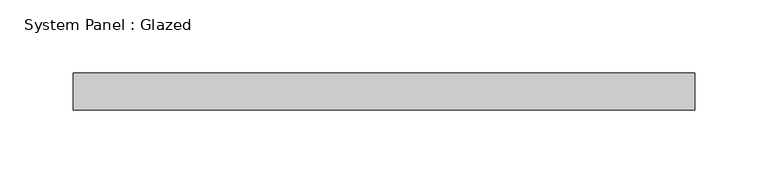
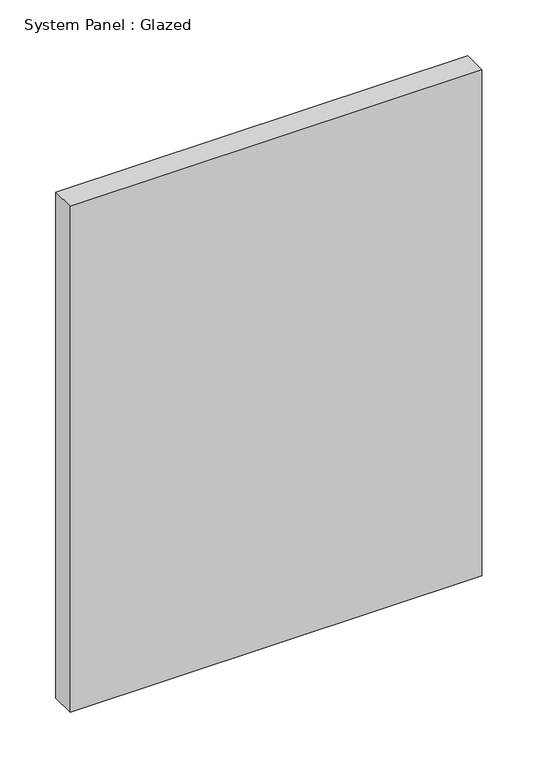
"""IFC4 building model written with IfcOpenShell, lengths in millimetres: plate geometry, System Panel : Glazed."""

import ifcopenshell
import ifcopenshell.guid

model = None  # the IFC model being written
_history = None  # IfcOwnerHistory: only IFC2X3 demands one
_inside = {}  # id of a spatial element -> (the spatial element, [elements in it])
_under = {}  # id of a project, library or spatial element -> (it, [spatial elements below it])
_declared = {}  # id of a project -> (the project, [libraries it declares])
_typed = {}  # id of a type object -> (the type object, [elements of that type])
_made_of = {}  # id of a material, layer set ... -> (it, [elements and type objects made of it])


def new_model(schema):
    """Start an empty IFC model of exactly this schema.

    Asked for "IFC4X3", IfcOpenShell would pick the latest addendum, in which some entities
    have other attributes; the version numbers below select the first issue.
    IFC2X3 requires an IfcOwnerHistory on every rooted entity: one is made here for all.
    """
    global model, _history
    if schema == "IFC4X3":
        model = ifcopenshell.file(schema_version=(4, 3, 0, 0))
    else:
        model = ifcopenshell.file(schema=schema)
    _inside.clear()
    _under.clear()
    _declared.clear()
    _typed.clear()
    _made_of.clear()
    _history = None
    if model.schema == "IFC2X3":
        org = make("IfcOrganization", Name="unknown")
        user = make(
            "IfcPersonAndOrganization",
            ThePerson=make("IfcPerson", FamilyName="unknown"),
            TheOrganization=org,
        )
        app = make(
            "IfcApplication",
            ApplicationDeveloper=org,
            Version="unknown",
            ApplicationFullName="unknown",
            ApplicationIdentifier="unknown",
        )
        _history = make(
            "IfcOwnerHistory",
            OwningUser=user,
            OwningApplication=app,
            ChangeAction="ADDED",
            CreationDate=0,
        )
    return model


def make(cls, **values):
    """One entity of the class cls with the attributes given. An attribute that is None is left unset."""
    return model.create_entity(
        cls, **{name: value for name, value in values.items() if value is not None}
    )


def rooted(cls, **values):
    """An entity with a GlobalId (a new one), such as an element, a storey or a relation."""
    return make(cls, GlobalId=ifcopenshell.guid.new(), OwnerHistory=_history, **values)


def si_unit(unit_type, name, prefix=None):
    """IfcSIUnit, for example si_unit("LENGTHUNIT", "METRE", prefix="MILLI")."""
    return make("IfcSIUnit", UnitType=unit_type, Prefix=prefix, Name=name)


def assignment(units):
    """IfcUnitAssignment: the units of a project."""
    return None if units is None else make("IfcUnitAssignment", Units=units)


def point(xyz):
    """IfcCartesianPoint."""
    return None if xyz is None else make("IfcCartesianPoint", Coordinates=xyz)


def direction(xyz):
    """IfcDirection."""
    return None if xyz is None else make("IfcDirection", DirectionRatios=xyz)


def frame(location, z_axis=None, x_axis=None):
    """IfcAxis2Placement3D, a coordinate frame: its origin and axes. An axis left out is left unset."""
    return make(
        "IfcAxis2Placement3D",
        Location=point(location),
        Axis=direction(z_axis),
        RefDirection=direction(x_axis),
    )


def origin():
    """The frame at (0, 0, 0) with its axes left unset."""
    return frame((0.0, 0.0, 0.0))


def origin_with_axes():
    """The frame at (0, 0, 0) with the z axis (0, 0, 1) and the x axis (1, 0, 0) written out."""
    return frame((0.0, 0.0, 0.0), z_axis=(0.0, 0.0, 1.0), x_axis=(1.0, 0.0, 0.0))


def place(relative_to, where):
    """IfcLocalPlacement: puts the frame where relative to a parent placement (None: the world)."""
    return make(
        "IfcLocalPlacement", PlacementRelTo=relative_to, RelativePlacement=where
    )


def context(
    kind, dimensions, precision=None, world=None, true_north=None, identifier=None
):
    """IfcGeometricRepresentationContext, for example the 3D "Model" context."""
    return make(
        "IfcGeometricRepresentationContext",
        ContextIdentifier=identifier,
        ContextType=kind,
        CoordinateSpaceDimension=dimensions,
        Precision=precision,
        WorldCoordinateSystem=world,
        TrueNorth=true_north,
    )


def project(units=None, contexts=None):
    """IfcProject with its units and contexts."""
    return rooted(
        "IfcProject",
        Name="project",
        RepresentationContexts=contexts,
        UnitsInContext=assignment(units),
    )


def spatial(cls, under=None, at=None, **own):
    """A site, building, storey or space (cls), placed at a placement, below another one or the project."""
    s = rooted(cls, ObjectPlacement=at, **own)
    if under is not None:
        _under.setdefault(under.id(), (under, []))[1].append(s)
    return s


def polyline(points):
    """IfcPolyline through the points."""
    return make("IfcPolyline", Points=[point(p) for p in points])


def outline(outer, holes=None, kind="AREA"):
    """IfcArbitraryClosedProfileDef: a profile drawn as a closed curve; with holes, ...WithVoids."""
    if holes is None:
        return make("IfcArbitraryClosedProfileDef", ProfileType=kind, OuterCurve=outer)
    return make(
        "IfcArbitraryProfileDefWithVoids",
        ProfileType=kind,
        OuterCurve=outer,
        InnerCurves=holes,
    )


def extrude(swept, where, along, depth):
    """IfcExtrudedAreaSolid: the profile swept, set in the frame where, extruded along a direction by depth."""
    return make(
        "IfcExtrudedAreaSolid",
        SweptArea=swept,
        Position=where,
        ExtrudedDirection=direction(along),
        Depth=depth,
    )


def shape(context_of_items, identifier, shape_type, items):
    """IfcShapeRepresentation: the items that make up one representation, for example the "Body"."""
    return make(
        "IfcShapeRepresentation",
        ContextOfItems=context_of_items,
        RepresentationIdentifier=identifier,
        RepresentationType=shape_type,
        Items=items,
    )


def source(mapping_origin, context_of_items, identifier, shape_type, items):
    """IfcRepresentationMap: a shape defined once, which mapped items show again and again."""
    return make(
        "IfcRepresentationMap",
        MappingOrigin=mapping_origin,
        MappedRepresentation=shape(context_of_items, identifier, shape_type, items),
    )


def transform(
    local_origin,
    x_axis=None,
    y_axis=None,
    z_axis=None,
    scale=None,
    scale2=None,
    scale3=None,
    uniform=True,
):
    """IfcCartesianTransformationOperator3D, or its non-uniform kind. x_axis, y_axis, z_axis: its Axis1, 2, 3."""
    if uniform:
        return make(
            "IfcCartesianTransformationOperator3D",
            Axis1=direction(x_axis),
            Axis2=direction(y_axis),
            LocalOrigin=point(local_origin),
            Scale=scale,
            Axis3=direction(z_axis),
        )
    return make(
        "IfcCartesianTransformationOperator3DnonUniform",
        Axis1=direction(x_axis),
        Axis2=direction(y_axis),
        LocalOrigin=point(local_origin),
        Scale=scale,
        Axis3=direction(z_axis),
        Scale2=scale2,
        Scale3=scale3,
    )


def mapped(mapping_source, mapping_target):
    """IfcMappedItem: shows the shape of a source again, moved by a transform."""
    return make(
        "IfcMappedItem", MappingSource=mapping_source, MappingTarget=mapping_target
    )


def made_of(thing, what):
    """Note that an element or type object is made of a material, layer set ...; save() writes the relation."""
    if what is not None:
        _made_of.setdefault(what.id(), (what, []))[1].append(thing)
    return thing


def element(
    cls,
    number,
    at=None,
    inside=None,
    cuts=None,
    type_object=None,
    material=None,
    context=None,
    identifier="Body",
    shape_type=None,
    held_by="IfcProductDefinitionShape",
    body=None,
    shapes=None,
    **own,
):
    """One element of the class cls, such as IfcWall. Its Tag is "e" and its number.

    at: its placement. inside: the storey or other place that contains it. cuts: it is an
    opening in that element (IfcRelVoidsElement). A single representation is given by context,
    identifier, shape_type and body (its items); several are given by shapes. held_by: the class
    of the entity that holds the representations. save() writes the other relations.
    """
    e = rooted(cls, Tag="e%d" % number, ObjectPlacement=at, **own)
    if body is not None:
        shapes = [shape(context, identifier, shape_type, body)]
    if shapes is not None:
        e.Representation = make(held_by, Representations=shapes)
    if inside is not None:
        _inside.setdefault(inside.id(), (inside, []))[1].append(e)
    if cuts is not None:
        rooted(
            "IfcRelVoidsElement", RelatingBuildingElement=cuts, RelatedOpeningElement=e
        )
    if type_object is not None:
        _typed.setdefault(type_object.id(), (type_object, []))[1].append(e)
    return made_of(e, material)


def aggregate(whole, parts):
    """IfcRelAggregates: a whole, such as a stair, and the parts it consists of."""
    return rooted("IfcRelAggregates", RelatingObject=whole, RelatedObjects=parts)


def save(model, path):
    """Write the relations noted so far, then the file.

    IfcRelAggregates (storeys below a building ...), IfcRelContainedInSpatialStructure (elements
    in a storey), IfcRelDefinesByType, IfcRelAssociatesMaterial and IfcRelDeclares: one each for
    every whole, place, type object, material and project.
    """
    for whole, parts in _under.values():
        aggregate(whole, parts)
    for where, things in _inside.values():
        rooted(
            "IfcRelContainedInSpatialStructure",
            RelatedElements=things,
            RelatingStructure=where,
        )
    for kind, things in _typed.values():
        rooted("IfcRelDefinesByType", RelatedObjects=things, RelatingType=kind)
    for what, things in _made_of.values():
        rooted("IfcRelAssociatesMaterial", RelatedObjects=things, RelatingMaterial=what)
    for by, libraries in _declared.values():
        rooted("IfcRelDeclares", RelatingContext=by, RelatedDefinitions=libraries)
    model.write(path)


def system_panel_glazed_a04450af(model_context):
    return source(origin(), model_context, "Body", "SweptSolid", [
        extrude(outline(polyline([(212.725, -12.7), (-212.725, -12.7), (-212.725, 12.7), (212.725, 12.7), (212.725, -12.7)])), origin_with_axes(), (0.0, 0.0, 1.0), 552.45),
    ])


if __name__ == "__main__":
    model = new_model("IFC4")
    model_context = context("Model", 3, world=origin())
    ifc_project = project(units=[si_unit("LENGTHUNIT", "METRE", prefix="MILLI")], contexts=[model_context])
    site = spatial("IfcSite", under=ifc_project)
    building = spatial("IfcBuilding", under=site)
    placement = place(None, origin())
    system_panel_glazed_shape = system_panel_glazed_a04450af(model_context)
    element("IfcPlate", 1, ObjectType="System Panel : Glazed", at=placement, inside=building, context=model_context, shape_type="MappedRepresentation", body=[
        mapped(system_panel_glazed_shape, transform((0.0, 0.0, 0.0), x_axis=(1.0, 0.0, 0.0), y_axis=(0.0, 1.0, 0.0), z_axis=(0.0, 0.0, 1.0))),
    ])
    save(model, "model.ifc")
